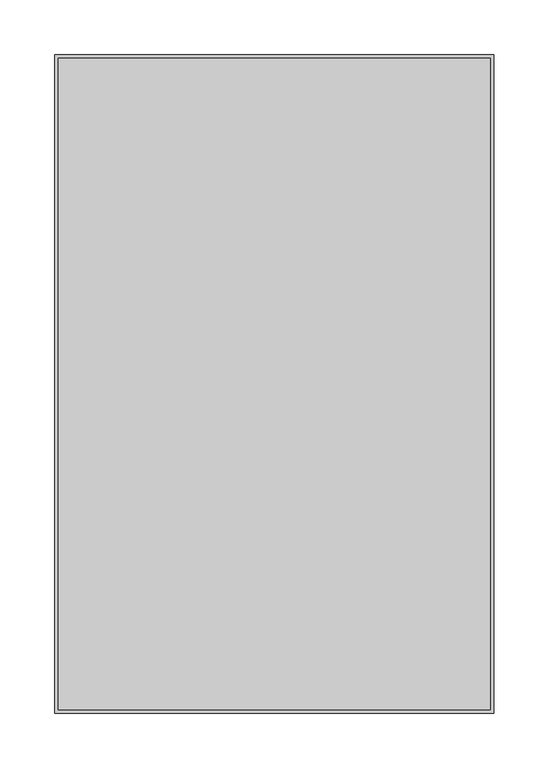
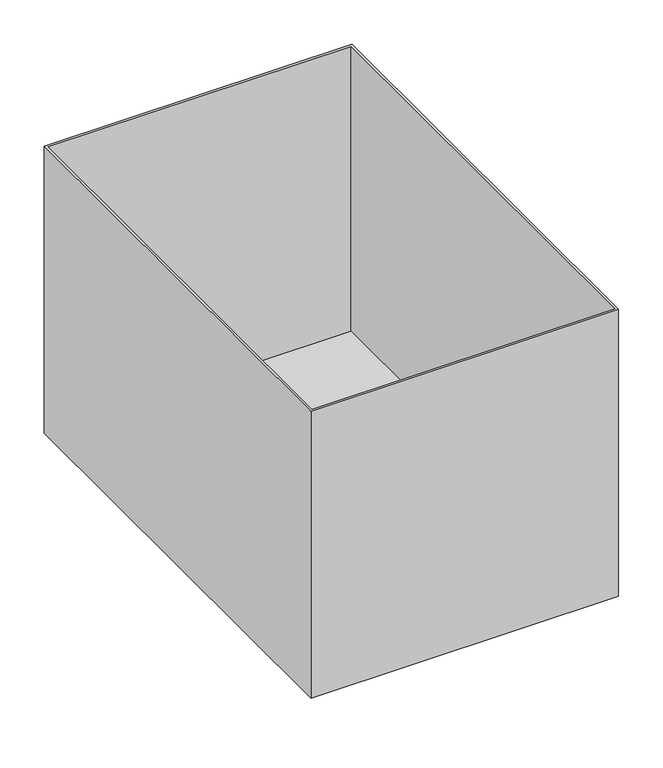
"""IFC4 building model written with IfcOpenShell, lengths in millimetres: furniture geometry."""

from ifc_helpers import new_model, si_unit, point, frame, frame_2d, origin, origin_with_axes, place, context, project, spatial, polyline, circle_curve, trimmed, segment, composite_curve, outline, extrude, faceted_brep, source, transform, mapped, element, save


def furniture_7461711e(model_context):
    return source(origin(), model_context, "Body", "SolidModel", [
        faceted_brep([(197.0, -297.0, 38.0), (197.0, 297.0, 38.0), (-197.0, 297.0, 38.0), (-197.0, -297.0, 38.0), (200.0, 300.0, 35.0), (200.0, -300.0, 35.0), (-200.0, -300.0, 35.0), (-200.0, 300.0, 35.0), (200.0, 300.0, 429.0), (-200.0, 300.0, 429.0), (-200.0, -300.0, 429.0), (200.0, -300.0, 429.0), (197.0, 297.0, 429.0), (197.0, -297.0, 429.0), (-197.0, -297.0, 429.0), (-197.0, 297.0, 429.0)], [[[0, 1, 2, 3]], [[4, 5, 6, 7]], [[8, 9, 10, 11], [12, 13, 14, 15]], [[9, 8, 4, 7]], [[10, 9, 7, 6]], [[11, 10, 6, 5]], [[8, 11, 5, 4]], [[13, 12, 1, 0]], [[14, 13, 0, 3]], [[15, 14, 3, 2]], [[12, 15, 2, 1]]]),
        extrude(outline(composite_curve([segment(trimmed(circle_curve(frame_2d((-130.0, -200.0)), 15.0), [point((-145.0, -200.0))], [point((-115.0, -200.0))], False, "CARTESIAN"), True, "CONTINUOUS"), segment(trimmed(circle_curve(frame_2d((-130.0, -200.0)), 15.0), [point((-115.0, -200.0))], [point((-145.0, -200.0))], False, "CARTESIAN"), True, "CONTINUOUS")], self_intersect=False)), origin_with_axes(), (0.0, 0.0, 1.0), 5.0),
        extrude(outline(composite_curve([segment(trimmed(circle_curve(frame_2d((-130.0, 200.0)), 15.0), [point((-145.0, 200.0))], [point((-115.0, 200.0))], False, "CARTESIAN"), True, "CONTINUOUS"), segment(trimmed(circle_curve(frame_2d((-130.0, 200.0)), 15.0), [point((-115.0, 200.0))], [point((-145.0, 200.0))], False, "CARTESIAN"), True, "CONTINUOUS")], self_intersect=False)), origin_with_axes(), (0.0, 0.0, 1.0), 5.0),
        extrude(outline(composite_curve([segment(trimmed(circle_curve(frame_2d((130.0, -200.0)), 15.0), [point((115.0, -200.0))], [point((145.0, -200.0))], False, "CARTESIAN"), True, "CONTINUOUS"), segment(trimmed(circle_curve(frame_2d((130.0, -200.0)), 15.0), [point((145.0, -200.0))], [point((115.0, -200.0))], False, "CARTESIAN"), True, "CONTINUOUS")], self_intersect=False)), origin_with_axes(), (0.0, 0.0, 1.0), 5.0),
        extrude(outline(composite_curve([segment(trimmed(circle_curve(frame_2d((130.0, 200.0)), 15.0), [point((115.0, 200.0))], [point((145.0, 200.0))], False, "CARTESIAN"), True, "CONTINUOUS"), segment(trimmed(circle_curve(frame_2d((130.0, 200.0)), 15.0), [point((145.0, 200.0))], [point((115.0, 200.0))], False, "CARTESIAN"), True, "CONTINUOUS")], self_intersect=False)), origin_with_axes(), (0.0, 0.0, 1.0), 5.0),
        extrude(outline(composite_curve([segment(trimmed(circle_curve(frame_2d((8.0, -147.0)), 3.0), [point((8.0, -150.0))], [point((5.0, -147.0))], False, "CARTESIAN"), True, "CONTINUOUS"), segment(polyline([(5.0, -147.0), (5.0, -113.0)]), True, "CONTINUOUS"), segment(trimmed(circle_curve(frame_2d((8.0, -113.0)), 3.0), [point((5.0, -113.0))], [point((8.0, -110.0))], False, "CARTESIAN"), True, "CONTINUOUS"), segment(polyline([(8.0, -110.0), (35.0, -110.0), (35.0, -113.0), (11.0, -113.0)]), True, "CONTINUOUS"), segment(trimmed(circle_curve(frame_2d((11.0, -116.0)), 3.0), [point((11.0, -113.0))], [point((8.0, -116.0))], True, "CARTESIAN"), True, "CONTINUOUS"), segment(polyline([(8.0, -116.0), (8.0, -144.0)]), True, "CONTINUOUS"), segment(trimmed(circle_curve(frame_2d((11.0, -144.0)), 3.0), [point((8.0, -144.0))], [point((11.0, -147.0))], True, "CARTESIAN"), True, "CONTINUOUS"), segment(polyline([(11.0, -147.0), (35.0, -147.0), (35.0, -150.0), (8.0, -150.0)]), True, "CONTINUOUS")], self_intersect=False)), frame((0.0, -250.0, 0.0), z_axis=(0.0, 1.0, 0.0), x_axis=(0.0, 0.0, 1.0)), (0.0, 0.0, 1.0), 500.0),
        extrude(outline(composite_curve([segment(polyline([(8.0, 150.0), (35.0, 150.0), (35.0, 147.0), (11.0, 147.0)]), True, "CONTINUOUS"), segment(trimmed(circle_curve(frame_2d((11.0, 144.0)), 3.0), [point((11.0, 147.0))], [point((8.0, 144.0))], True, "CARTESIAN"), True, "CONTINUOUS"), segment(polyline([(8.0, 144.0), (8.0, 116.0)]), True, "CONTINUOUS"), segment(trimmed(circle_curve(frame_2d((11.0, 116.0)), 3.0), [point((8.0, 116.0))], [point((11.0, 113.0))], True, "CARTESIAN"), True, "CONTINUOUS"), segment(polyline([(11.0, 113.0), (35.0, 113.0), (35.0, 110.0), (8.0, 110.0)]), True, "CONTINUOUS"), segment(trimmed(circle_curve(frame_2d((8.0, 113.0)), 3.0), [point((8.0, 110.0))], [point((5.0, 113.0))], False, "CARTESIAN"), True, "CONTINUOUS"), segment(polyline([(5.0, 113.0), (5.0, 147.0)]), True, "CONTINUOUS"), segment(trimmed(circle_curve(frame_2d((8.0, 147.0)), 3.0), [point((5.0, 147.0))], [point((8.0, 150.0))], False, "CARTESIAN"), True, "CONTINUOUS")], self_intersect=False)), frame((0.0, -250.0, 0.0), z_axis=(0.0, 1.0, 0.0), x_axis=(0.0, 0.0, 1.0)), (0.0, 0.0, 1.0), 500.0),
    ])


if __name__ == "__main__":
    model = new_model("IFC4")
    model_context = context("Model", 3, world=origin())
    ifc_project = project(units=[si_unit("LENGTHUNIT", "METRE", prefix="MILLI")], contexts=[model_context])
    site = spatial("IfcSite", under=ifc_project)
    building = spatial("IfcBuilding", under=site)
    placement = place(None, origin())
    furniture_shape = furniture_7461711e(model_context)
    element("IfcFurniture", 1, at=placement, inside=building, context=model_context, shape_type="MappedRepresentation", body=[
        mapped(furniture_shape, transform((0.0, 0.0, 0.0), x_axis=(1.0, 0.0, 0.0), y_axis=(0.0, 1.0, 0.0), z_axis=(0.0, 0.0, 1.0))),
    ])
    save(model, "model.ifc")
